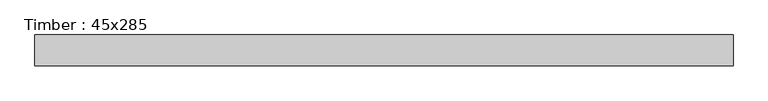
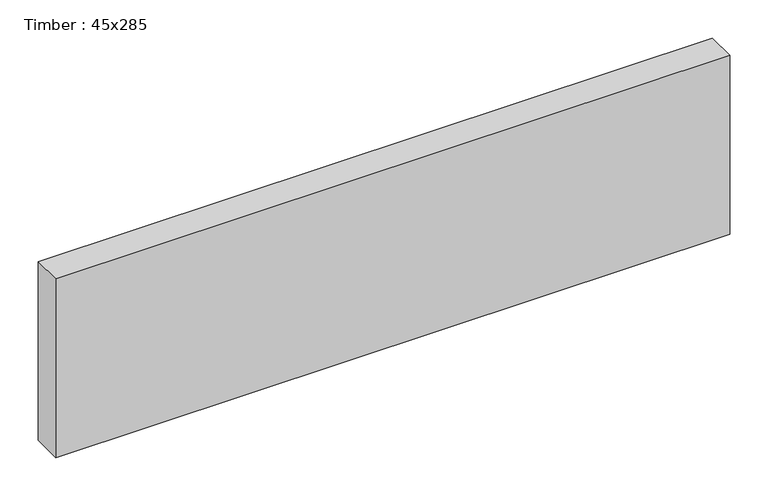
"""IFC4 building model written with IfcOpenShell, lengths in millimetres: beam geometry, Timber : 45x285."""

from ifc_helpers import new_model, si_unit, frame, origin, place, context, project, spatial, polyline, outline, extrude, source, transform, mapped, element, save


def timber_45x285_6e1f8af8(model_context):
    return source(origin(), model_context, "Body", "SweptSolid", [
        extrude(outline(polyline([(508.0, 22.5), (508.0, -22.5), (-508.0, -22.5), (-508.0, 22.5), (508.0, 22.5)])), frame((0.0, 0.0, -142.5), z_axis=(0.0, 0.0, 1.0), x_axis=(1.0, 0.0, 0.0)), (0.0, 0.0, 1.0), 285.0),
    ])


if __name__ == "__main__":
    model = new_model("IFC4")
    model_context = context("Model", 3, world=origin())
    ifc_project = project(units=[si_unit("LENGTHUNIT", "METRE", prefix="MILLI")], contexts=[model_context])
    site = spatial("IfcSite", under=ifc_project)
    building = spatial("IfcBuilding", under=site)
    placement = place(None, origin())
    timber_45x285_shape = timber_45x285_6e1f8af8(model_context)
    element("IfcBeam", 1, ObjectType="Timber : 45x285", at=placement, inside=building, context=model_context, shape_type="MappedRepresentation", body=[
        mapped(timber_45x285_shape, transform((0.0, 0.0, 0.0), x_axis=(1.0, 0.0, 0.0), y_axis=(0.0, 1.0, 0.0), z_axis=(0.0, 0.0, 1.0))),
    ])
    save(model, "model.ifc")
